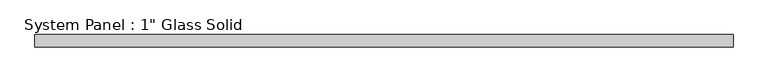
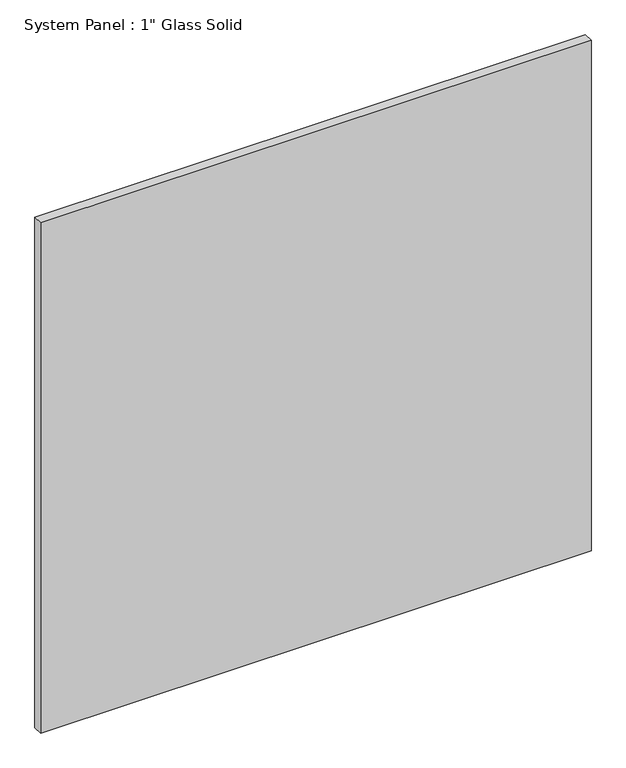
"""IFC4 building model written with IfcOpenShell, lengths in millimetres: plate geometry."""

from ifc_helpers import new_model, si_unit, origin, origin_with_axes, place, context, project, spatial, polyline, outline, extrude, source, transform, mapped, element, save


def plate_1ebdf03e(model_context):
    return source(origin(), model_context, "Body", "SweptSolid", [
        extrude(outline(polyline([(720.7755347, -12.7), (-720.7755347, -12.7), (-720.7755347, 12.7), (720.7755347, 12.7), (720.7755347, -12.7)])), origin_with_axes(), (0.0, 0.0, 1.0), 1412.7661731),
    ])


if __name__ == "__main__":
    model = new_model("IFC4")
    model_context = context("Model", 3, world=origin())
    ifc_project = project(units=[si_unit("LENGTHUNIT", "METRE", prefix="MILLI")], contexts=[model_context])
    site = spatial("IfcSite", under=ifc_project)
    building = spatial("IfcBuilding", under=site)
    placement = place(None, origin())
    plate_shape = plate_1ebdf03e(model_context)
    element("IfcPlate", 1, ObjectType="System Panel : 1\" Glass Solid", at=placement, inside=building, context=model_context, shape_type="MappedRepresentation", body=[
        mapped(plate_shape, transform((0.0, 0.0, 0.0), x_axis=(1.0, 0.0, 0.0), y_axis=(0.0, 1.0, 0.0), z_axis=(0.0, 0.0, 1.0))),
    ])
    save(model, "model.ifc")
